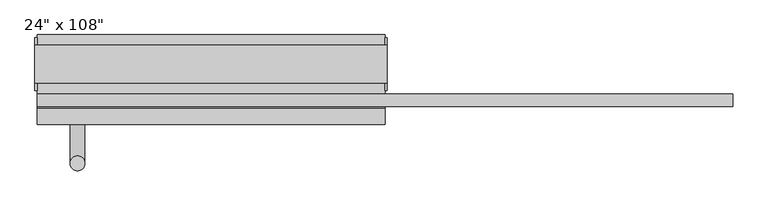
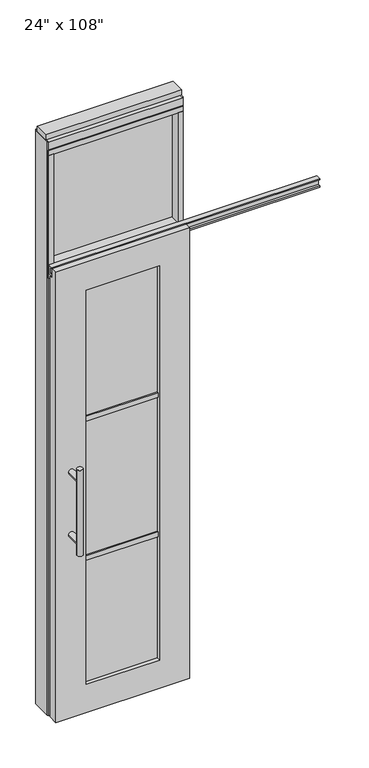
"""IFC4 building model written with IfcOpenShell, lengths in millimetres: furniture geometry."""

from ifc_helpers import new_model, si_unit, frame, origin, origin_with_axes, place, context, project, spatial, polyline, circle_curve, ellipse_curve, outline, extrude, faceted_brep, source, transform, mapped, element, save
from ifc_brep_helpers import plane_surface, cylinder_surface, advanced_brep


def furniture_0ea748a2(model_context):
    return source(origin(), model_context, "Body", "SolidModel", [
        extrude(outline(polyline([(218.6014771, -9.5977216), (-338.6745229, -9.5977216), (-338.6745229, 0.5622784), (218.6014771, 0.5622784), (218.6014771, -9.5977216)])), frame((0.0, 0.0, 2133.6), z_axis=(0.0, 0.0, 1.0), x_axis=(1.0, 0.0, 0.0)), (0.0, 0.0, 1.0), 520.7),
        advanced_brep(
        [(-303.6225229, 3.3562784, 1219.2), (-278.2225229, 3.3562784, 1219.2), (-303.6225229, 3.3562784, 812.8), (-278.2225229, 3.3562784, 812.8), (-278.2225229, 3.3562784, 1164.336), (-278.2225229, 3.3562784, 867.664), (-303.6225229, 3.3562784, 867.664), (-303.6225229, 3.3562784, 1164.336), (-303.6225229, -64.2077216, 1164.336), (-278.2225229, -64.2077216, 1164.336), (-303.6225229, -64.2077216, 867.664), (-278.2225229, -64.2077216, 867.664)],
        [
            (0, 1, circle_curve(frame((-290.9225229, 3.3562784, 1219.2), z_axis=(0.0, 0.0, 1.0), x_axis=(1.0, 0.0, 0.0)), 12.7)),
            (1, 0, circle_curve(frame((-290.9225229, 3.3562784, 1219.2), z_axis=(0.0, 0.0, 1.0), x_axis=(1.0, 0.0, 0.0)), 12.7)),
            (2, 3, circle_curve(frame((-290.9225229, 3.3562784, 812.8), z_axis=(0.0, 0.0, -1.0), x_axis=(1.0, 0.0, 0.0)), 12.7)),
            (3, 2, circle_curve(frame((-290.9225229, 3.3562784, 812.8), z_axis=(0.0, 0.0, -1.0), x_axis=(1.0, 0.0, 0.0)), 12.7)),
            (1, 4),
            (4, 5),
            (5, 3),
            (2, 6),
            (6, 7),
            (7, 0),
            (6, 5, ellipse_curve(frame((-290.9225229, 3.3562784, 867.664), z_axis=(0.0, 0.707106781186565, 0.70710678118653), x_axis=(0.0, -0.70710678118653, 0.707106781186565)), 17.9605122, 12.7)),
            (4, 7, ellipse_curve(frame((-290.9225229, 3.3562784, 1164.336), z_axis=(0.0, 0.70710678118653, -0.7071067811865649), x_axis=(0.0, 0.7071067811865648, 0.7071067811865301)), 17.9605122, 12.7)),
            (7, 4, ellipse_curve(frame((-290.9225229, 3.3562784, 1164.336), z_axis=(0.0, 0.707106781186565, 0.70710678118653), x_axis=(0.0, -0.70710678118653, 0.707106781186565)), 17.9605122, 12.7)),
            (5, 6, ellipse_curve(frame((-290.9225229, 3.3562784, 867.664), z_axis=(0.0, 0.70710678118653, -0.7071067811865649), x_axis=(0.0, 0.7071067811865648, 0.7071067811865301)), 17.9605122, 12.7)),
            (8, 9, circle_curve(frame((-290.9225229, -64.2077216, 1164.336), z_axis=(0.0, -1.0, 0.0), x_axis=(1.0, 0.0, 0.0)), 12.7)),
            (9, 8, circle_curve(frame((-290.9225229, -64.2077216, 1164.336), z_axis=(0.0, -1.0, 0.0), x_axis=(1.0, 0.0, 0.0)), 12.7)),
            (8, 7),
            (4, 9),
            (10, 11, circle_curve(frame((-290.9225229, -64.2077216, 867.664), z_axis=(0.0, -1.0, 0.0), x_axis=(1.0, 0.0, 0.0)), 12.7)),
            (11, 10, circle_curve(frame((-290.9225229, -64.2077216, 867.664), z_axis=(0.0, -1.0, 0.0), x_axis=(1.0, 0.0, 0.0)), 12.7)),
            (10, 6),
            (5, 11),
        ],
        [
            plane_surface(frame((-278.2225229, 3.3562784, 1219.2), z_axis=(0.0, 0.0, 1.0), x_axis=(0.0, -1.0, 0.0))),
            plane_surface(frame((-278.2225229, 3.3562784, 812.8), z_axis=(0.0, 0.0, -1.0), x_axis=(0.0, 1.0, 0.0))),
            cylinder_surface(frame((-290.9225229, 3.3562784, 812.8), z_axis=(0.0, 0.0, 1.0), x_axis=(1.0, 0.0, 0.0)), 12.7),
            plane_surface(frame((-278.2225229, -64.2077216, 1164.336), z_axis=(0.0, -1.0, 0.0), x_axis=(0.0, 0.0, -1.0))),
            cylinder_surface(frame((-290.9225229, -64.2077216, 1164.336), z_axis=(0.0, 1.0, 0.0), x_axis=(1.0, 0.0, 0.0)), 12.7),
            plane_surface(frame((-278.2225229, -64.2077216, 867.664), z_axis=(0.0, -1.0, 0.0), x_axis=(0.0, 0.0, -1.0))),
            cylinder_surface(frame((-290.9225229, -64.2077216, 867.664), z_axis=(0.0, 1.0, 0.0), x_axis=(1.0, 0.0, 0.0)), 12.7),
        ],
        [
            (0, [[1, 2]]),
            (1, [[3, 4]]),
            (2, [[5, 6, 7, -3, 8, 9, 10, -2]]),
            (2, [[-9, 11, -6, 12]]),
            (2, [[-10, 13, -5, -1]]),
            (2, [[-7, 14, -8, -4]]),
            (3, [[15, 16]]),
            (4, [[17, -12, 18, -15]]),
            (4, [[-18, -13, -17, -16]]),
            (5, [[19, 20]]),
            (6, [[21, -14, 22, -19]]),
            (6, [[-22, -11, -21, -20]]),
        ],
    ),
        advanced_brep(
        [(-303.6225229, -176.2217216, 1219.2), (-278.2225229, -176.2217216, 1219.2), (-303.6225229, -176.2217216, 812.8), (-278.2225229, -176.2217216, 812.8), (-303.6225229, -176.2217216, 1164.336), (-303.6225229, -176.2217216, 867.664), (-278.2225229, -176.2217216, 867.664), (-278.2225229, -176.2217216, 1164.336), (-303.6225229, -108.6577216, 1164.336), (-278.2225229, -108.6577216, 1164.336), (-303.6225229, -108.6577216, 867.664), (-278.2225229, -108.6577216, 867.664)],
        [
            (0, 1, circle_curve(frame((-290.9225229, -176.2217216, 1219.2), z_axis=(0.0, 0.0, 1.0), x_axis=(1.0, 0.0, 0.0)), 12.7)),
            (1, 0, circle_curve(frame((-290.9225229, -176.2217216, 1219.2), z_axis=(0.0, 0.0, 1.0), x_axis=(1.0, 0.0, 0.0)), 12.7)),
            (2, 3, circle_curve(frame((-290.9225229, -176.2217216, 812.8), z_axis=(0.0, 0.0, -1.0), x_axis=(1.0, 0.0, 0.0)), 12.7)),
            (3, 2, circle_curve(frame((-290.9225229, -176.2217216, 812.8), z_axis=(0.0, 0.0, -1.0), x_axis=(1.0, 0.0, 0.0)), 12.7)),
            (0, 4),
            (4, 5),
            (5, 2),
            (3, 6),
            (6, 7),
            (7, 1),
            (7, 4, ellipse_curve(frame((-290.9225229, -176.2217216, 1164.336), z_axis=(0.0, -0.707106781186565, 0.70710678118653), x_axis=(0.0, 0.70710678118653, 0.707106781186565)), 17.9605122, 12.7)),
            (5, 6, ellipse_curve(frame((-290.9225229, -176.2217216, 867.664), z_axis=(0.0, -0.70710678118653, -0.7071067811865649), x_axis=(0.0, -0.7071067811865648, 0.7071067811865301)), 17.9605122, 12.7)),
            (4, 7, ellipse_curve(frame((-290.9225229, -176.2217216, 1164.336), z_axis=(0.0, -0.70710678118653, -0.7071067811865649), x_axis=(0.0, -0.7071067811865648, 0.7071067811865301)), 17.9605122, 12.7)),
            (6, 5, ellipse_curve(frame((-290.9225229, -176.2217216, 867.664), z_axis=(0.0, -0.707106781186565, 0.70710678118653), x_axis=(0.0, 0.70710678118653, 0.707106781186565)), 17.9605122, 12.7)),
            (8, 9, circle_curve(frame((-290.9225229, -108.6577216, 1164.336), z_axis=(0.0, 1.0, 0.0), x_axis=(1.0, 0.0, 0.0)), 12.7)),
            (9, 8, circle_curve(frame((-290.9225229, -108.6577216, 1164.336), z_axis=(0.0, 1.0, 0.0), x_axis=(1.0, 0.0, 0.0)), 12.7)),
            (9, 7),
            (4, 8),
            (10, 11, circle_curve(frame((-290.9225229, -108.6577216, 867.664), z_axis=(0.0, 1.0, 0.0), x_axis=(1.0, 0.0, 0.0)), 12.7)),
            (11, 10, circle_curve(frame((-290.9225229, -108.6577216, 867.664), z_axis=(0.0, 1.0, 0.0), x_axis=(1.0, 0.0, 0.0)), 12.7)),
            (11, 6),
            (5, 10),
        ],
        [
            plane_surface(frame((-278.2225229, -176.2217216, 1219.2), z_axis=(0.0, 0.0, 1.0), x_axis=(0.0, 1.0, 0.0))),
            plane_surface(frame((-278.2225229, -176.2217216, 812.8), z_axis=(0.0, 0.0, -1.0), x_axis=(0.0, -1.0, 0.0))),
            cylinder_surface(frame((-290.9225229, -176.2217216, 812.8), z_axis=(0.0, 0.0, 1.0), x_axis=(1.0, 0.0, 0.0)), 12.7),
            plane_surface(frame((-278.2225229, -108.6577216, 1164.336), z_axis=(0.0, 1.0, 0.0), x_axis=(0.0, 0.0, -1.0))),
            cylinder_surface(frame((-290.9225229, -108.6577216, 1164.336), z_axis=(0.0, -1.0, 0.0), x_axis=(1.0, 0.0, 0.0)), 12.7),
            plane_surface(frame((-278.2225229, -108.6577216, 867.664), z_axis=(0.0, 1.0, 0.0), x_axis=(0.0, 0.0, -1.0))),
            cylinder_surface(frame((-290.9225229, -108.6577216, 867.664), z_axis=(0.0, -1.0, 0.0), x_axis=(1.0, 0.0, 0.0)), 12.7),
        ],
        [
            (0, [[1, 2]]),
            (1, [[3, 4]]),
            (2, [[-1, 5, 6, 7, -4, 8, 9, 10]]),
            (2, [[-2, -10, 11, -5]]),
            (2, [[-3, -7, 12, -8]]),
            (2, [[13, -9, 14, -6]]),
            (3, [[15, 16]]),
            (4, [[-16, 17, -13, 18]]),
            (4, [[-15, -18, -11, -17]]),
            (5, [[19, 20]]),
            (6, [[-20, 21, -12, 22]]),
            (6, [[-19, -22, -14, -21]]),
        ],
    ),
        extrude(outline(polyline([(-224.8825229, -97.5452216), (-224.8825229, -75.3202216), (104.8094771, -75.3202216), (104.8094771, -97.5452216), (-224.8825229, -97.5452216)])), frame((0.0, 0.0, 1371.6), z_axis=(0.0, 0.0, 1.0), x_axis=(1.0, 0.0, 0.0)), (0.0, 0.0, 1.0), 22.225),
        extrude(outline(polyline([(-224.8825229, -97.5452216), (-224.8825229, -75.3202216), (104.8094771, -75.3202216), (104.8094771, -97.5452216), (-224.8825229, -97.5452216)])), frame((0.0, 0.0, 711.2), z_axis=(0.0, 0.0, 1.0), x_axis=(1.0, 0.0, 0.0)), (0.0, 0.0, 1.0), 22.225),
        extrude(outline(polyline([(104.8094771, -91.5127216), (-224.8825229, -91.5127216), (-224.8825229, -81.3527216), (104.8094771, -81.3527216), (104.8094771, -91.5127216)])), frame((0.0, 0.0, 132.969), z_axis=(0.0, 0.0, 1.0), x_axis=(1.0, 0.0, 0.0)), (0.0, 0.0, 1.0), 1867.662),
        extrude(outline(polyline([(-77.9237216, 2097.278), (-77.9237216, 2102.612), (-65.2237216, 2102.612), (-65.2237216, 2131.568), (-77.9237216, 2131.568), (-77.9237216, 2136.902), (-56.2067216, 2136.902), (-56.2067216, 2097.278), (-77.9237216, 2097.278)])), frame((-360.8995229, 0.0, 0.0), z_axis=(1.0, 0.0, 0.0), x_axis=(0.0, 1.0, 0.0)), (0.0, 0.0, 1.0), 1203.452),
        faceted_brep([(-360.8995229, -108.6577216, 0.0), (240.8264771, -108.6577216, 0.0), (240.8264771, -108.6577216, 2133.6), (-360.8995229, -108.6577216, 2133.6), (104.8094771, -108.6577216, 2000.631), (104.8094771, -108.6577216, 132.969), (-224.8825229, -108.6577216, 132.969), (-224.8825229, -108.6577216, 2000.631), (-360.8995229, -81.2257216, 2133.6), (240.8264771, -81.2257216, 2133.6), (240.8264771, -81.2257216, 2089.023), (-360.8995229, -81.2257216, 2089.023), (-360.8995229, -64.2077216, 2089.023), (-360.8995229, -64.2077216, 0.0), (240.8264771, -64.2077216, 0.0), (240.8264771, -64.2077216, 2089.023), (104.8094771, -64.2077216, 2000.631), (-224.8825229, -64.2077216, 2000.631), (-224.8825229, -64.2077216, 132.969), (104.8094771, -64.2077216, 132.969)], [[[0, 1, 2, 3], [4, 5, 6, 7]], [[8, 9, 10, 11]], [[0, 3, 8, 11, 12, 13]], [[2, 1, 14, 15, 10, 9]], [[3, 2, 9, 8]], [[15, 14, 13, 12], [16, 17, 18, 19]], [[15, 12, 11, 10]], [[1, 0, 13, 14]], [[5, 4, 16, 19]], [[6, 5, 19, 18]], [[7, 6, 18, 17]], [[4, 7, 17, 16]]]),
        extrude(outline(polyline([(-338.6745229, -55.3177216), (-360.8995229, -55.3177216), (-360.8995229, 46.2822784), (-338.6745229, 46.2822784), (-338.6745229, -55.3177216)])), frame((0.0, 0.0, 2133.6), z_axis=(0.0, 0.0, 1.0), x_axis=(1.0, 0.0, 0.0)), (0.0, 0.0, 1.0), 520.7),
        extrude(outline(polyline([(218.6014771, -55.3177216), (218.6014771, 46.2822784), (240.8264771, 46.2822784), (240.8264771, -55.3177216), (218.6014771, -55.3177216)])), frame((0.0, 0.0, 2133.6), z_axis=(0.0, 0.0, 1.0), x_axis=(1.0, 0.0, 0.0)), (0.0, 0.0, 1.0), 520.7),
        extrude(outline(polyline([(-360.8995229, -55.3177216), (-360.8995229, 46.2822784), (240.8264771, 46.2822784), (240.8264771, -55.3177216), (-360.8995229, -55.3177216)])), frame((0.0, 0.0, 2070.1), z_axis=(0.0, 0.0, 1.0), x_axis=(1.0, 0.0, 0.0)), (0.0, 0.0, 1.0), 22.225),
        extrude(outline(polyline([(-55.3177216, 2097.278), (-55.3177216, 2133.6), (46.2822784, 2133.6), (46.2822784, 2097.278), (41.3292784, 2097.278), (41.3292784, 2092.325), (-50.3647216, 2092.325), (-50.3647216, 2097.278), (-55.3177216, 2097.278)])), frame((-360.8995229, 0.0, 0.0), z_axis=(1.0, 0.0, 0.0), x_axis=(0.0, 1.0, 0.0)), (0.0, 0.0, 1.0), 601.726),
        extrude(outline(polyline([(-360.8995229, -55.3177216), (-360.8995229, 46.2822784), (240.8264771, 46.2822784), (240.8264771, -55.3177216), (-360.8995229, -55.3177216)])), frame((0.0, 0.0, 2654.3), z_axis=(0.0, 0.0, 1.0), x_axis=(1.0, 0.0, 0.0)), (0.0, 0.0, 1.0), 22.225),
        extrude(outline(polyline([(244.7634771, -50.3647216), (240.8264771, -50.3647216), (240.8264771, 41.3292784), (244.7634771, 41.3292784), (244.7634771, -50.3647216)])), origin_with_axes(), (0.0, 0.0, 1.0), 2717.8),
        extrude(outline(polyline([(-364.8365229, -50.3647216), (-364.8365229, 41.3292784), (-360.8995229, 41.3292784), (-360.8995229, -50.3647216), (-364.8365229, -50.3647216)])), origin_with_axes(), (0.0, 0.0, 1.0), 2717.8),
        extrude(outline(polyline([(218.6014771, -55.3177216), (218.6014771, 46.2822784), (240.8264771, 46.2822784), (240.8264771, -55.3177216), (218.6014771, -55.3177216)])), origin_with_axes(), (0.0, 0.0, 1.0), 2070.1),
        extrude(outline(polyline([(-338.6745229, -55.3177216), (-360.8995229, -55.3177216), (-360.8995229, 46.2822784), (-338.6745229, 46.2822784), (-338.6745229, -55.3177216)])), origin_with_axes(), (0.0, 0.0, 1.0), 2070.1),
        extrude(outline(polyline([(-55.3177216, 2681.478), (-55.3177216, 2717.8), (46.2822784, 2717.8), (46.2822784, 2681.478), (41.3292784, 2681.478), (41.3292784, 2676.525), (-50.3647216, 2676.525), (-50.3647216, 2681.478), (-55.3177216, 2681.478)])), frame((-360.8995229, 0.0, 0.0), z_axis=(1.0, 0.0, 0.0), x_axis=(0.0, 1.0, 0.0)), (0.0, 0.0, 1.0), 601.726),
        extrude(outline(polyline([(-364.8365229, -37.0297216), (-364.8365229, 27.9942784), (244.7634771, 27.9942784), (244.7634771, -37.0297216), (-364.8365229, -37.0297216)])), frame((0.0, 0.0, 2717.8), z_axis=(0.0, 0.0, 1.0), x_axis=(1.0, 0.0, 0.0)), (0.0, 0.0, 1.0), 25.4),
    ])


if __name__ == "__main__":
    model = new_model("IFC4")
    model_context = context("Model", 3, world=origin())
    ifc_project = project(units=[si_unit("LENGTHUNIT", "METRE", prefix="MILLI")], contexts=[model_context])
    site = spatial("IfcSite", under=ifc_project)
    building = spatial("IfcBuilding", under=site)
    placement = place(None, origin())
    furniture_shape = furniture_0ea748a2(model_context)
    element("IfcFurniture", 1, ObjectType="24\" x 108\"", at=placement, inside=building, context=model_context, shape_type="MappedRepresentation", body=[
        mapped(furniture_shape, transform((0.0, 0.0, 0.0), x_axis=(1.0, 0.0, 0.0), y_axis=(0.0, 1.0, 0.0), z_axis=(0.0, 0.0, 1.0))),
    ])
    save(model, "model.ifc")
